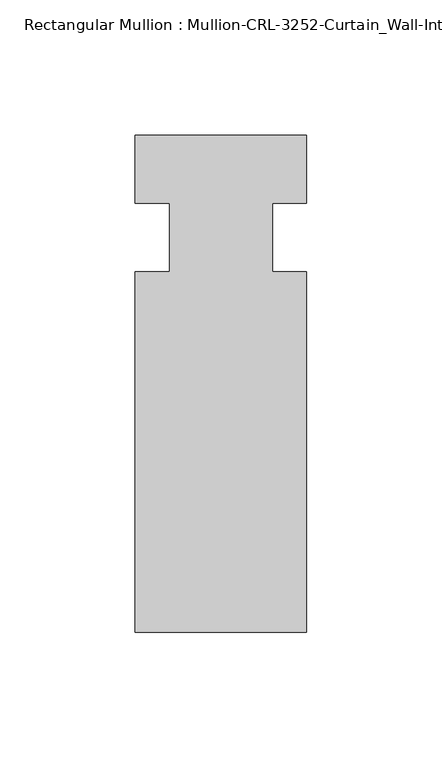
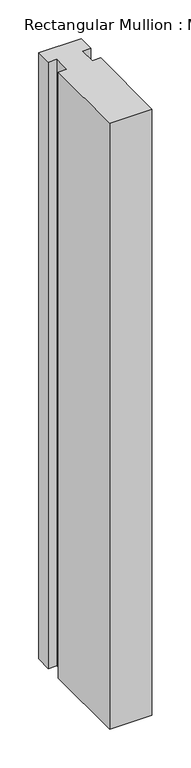
"""IFC4 building model written with IfcOpenShell, lengths in millimetres: member geometry, Rectangular Mullion : Mullion-CRL-3252-Curtain_Wall-Intermediate_Horizontal."""

from ifc_helpers import new_model, si_unit, frame, origin, place, context, project, spatial, polyline, outline, extrude, source, transform, mapped, element, save


def rectangular_mullion_mullion_crl_3252_curtain_wall_af9f7be0(model_context):
    return source(origin(), model_context, "Body", "SweptSolid", [
        extrude(outline(polyline([(31.7997793, -146.0054758), (-31.7000602, -146.0054758), (-31.7000602, -12.7), (-19.008026, -12.7), (-19.008026, 12.7), (-31.7000602, 12.7), (-31.7000602, 37.8598496), (31.7997793, 37.8598496), (31.7997793, 12.7), (19.0940404, 12.7), (19.0940404, -12.7), (31.7997793, -12.7), (31.7997793, -146.0054758)])), frame((0.0, 0.0, -959.1124962), z_axis=(0.0, 0.0, 1.0), x_axis=(1.0, 0.0, 0.0)), (0.0, 0.0, 1.0), 959.1124962),
    ])


if __name__ == "__main__":
    model = new_model("IFC4")
    model_context = context("Model", 3, world=origin())
    ifc_project = project(units=[si_unit("LENGTHUNIT", "METRE", prefix="MILLI")], contexts=[model_context])
    site = spatial("IfcSite", under=ifc_project)
    building = spatial("IfcBuilding", under=site)
    placement = place(None, origin())
    rectangular_mullion_mullion_crl_3252_curtain_wall_shape = rectangular_mullion_mullion_crl_3252_curtain_wall_af9f7be0(model_context)
    element("IfcMember", 1, ObjectType="Rectangular Mullion : Mullion-CRL-3252-Curtain_Wall-Intermediate_Horizontal", at=placement, inside=building, context=model_context, shape_type="MappedRepresentation", body=[
        mapped(rectangular_mullion_mullion_crl_3252_curtain_wall_shape, transform((0.0, 0.0, 0.0), x_axis=(1.0, 0.0, 0.0), y_axis=(0.0, 1.0, 0.0), z_axis=(0.0, 0.0, 1.0))),
    ])
    save(model, "model.ifc")
